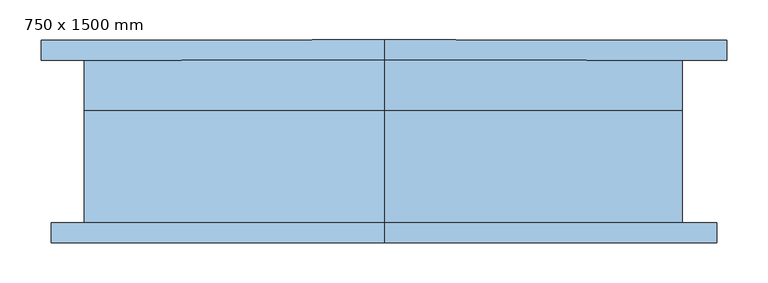
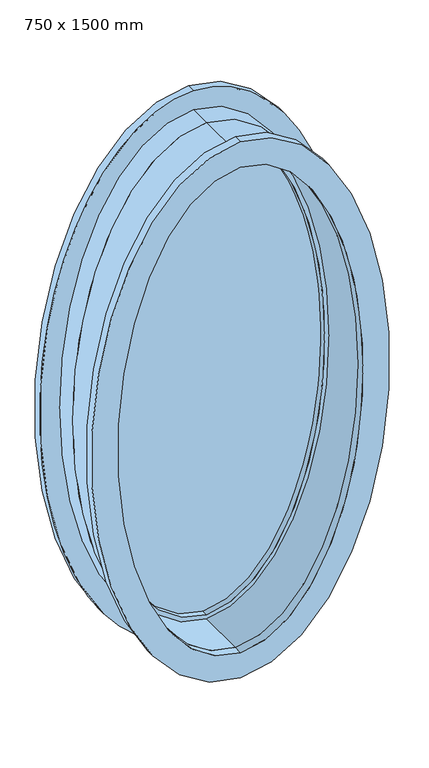
"""IFC4 building model written with IfcOpenShell, lengths in millimetres: window geometry, 750 x 1500 mm."""

from ifc_helpers import new_model, si_unit, point, frame, origin, place, context, project, spatial, ellipse_curve, trimmed, source, transform, mapped, element, save
from ifc_brep_helpers import plane_surface, extruded_surface, advanced_brep


def window_750_x_1500_mm_90dfdbfc(model_context):
    return source(origin(), model_context, "Body", "AdvancedBrep", [
        advanced_brep(
        [(0.0, -101.6, 2415.0), (0.0, -101.6, 915.0), (0.0, -101.6, 2383.25), (0.0, -101.6, 946.75), (0.0, 38.1, 2415.0), (0.0, 38.1, 915.0), (0.0, 38.1, 2383.25), (0.0, 38.1, 946.75)],
        [
            (0, 1, ellipse_curve(frame((0.0, -101.6, 1665.0), z_axis=(0.0, -1.0, 0.0), x_axis=(0.0, 0.0, -1.0)), 750.0, 375.0)),
            (1, 0, ellipse_curve(frame((0.0, -101.6, 1665.0), z_axis=(0.0, -1.0, 0.0), x_axis=(0.0, 0.0, -1.0)), 750.0, 375.0)),
            (2, 3, ellipse_curve(frame((0.0, -101.6, 1665.0), z_axis=(0.0, 1.0, 0.0), x_axis=(0.0, 0.0, -1.0)), 718.25, 343.25)),
            (3, 2, ellipse_curve(frame((0.0, -101.6, 1665.0), z_axis=(0.0, 1.0, 0.0), x_axis=(0.0, 0.0, -1.0)), 718.25, 343.25)),
            (0, 4),
            (4, 5, ellipse_curve(frame((0.0, 38.1, 1665.0), z_axis=(0.0, -1.0, 0.0), x_axis=(0.0, 0.0, -1.0)), 750.0, 375.0)),
            (5, 1),
            (5, 4, ellipse_curve(frame((0.0, 38.1, 1665.0), z_axis=(0.0, -1.0, 0.0), x_axis=(0.0, 0.0, -1.0)), 750.0, 375.0)),
            (2, 6),
            (6, 7, ellipse_curve(frame((0.0, 38.1, 1665.0), z_axis=(0.0, 1.0, 0.0), x_axis=(0.0, 0.0, -1.0)), 718.25, 343.25)),
            (7, 3),
            (7, 6, ellipse_curve(frame((0.0, 38.1, 1665.0), z_axis=(0.0, 1.0, 0.0), x_axis=(0.0, 0.0, -1.0)), 718.25, 343.25)),
        ],
        [
            plane_surface(frame((0.0, -101.6, 915.0), z_axis=(0.0, -1.0, 0.0), x_axis=(1.0, 0.0, 0.0))),
            extruded_surface(trimmed(ellipse_curve(frame((0.0, 177.8, 1665.0), z_axis=(0.0, -1.0, 0.0), x_axis=(0.0, 0.0, -1.0)), 750.0, 375.0), [point((0.0, 177.8, 2415.0))], [point((0.0, 177.8, 915.0))], True, "CARTESIAN"), (0.0, -139.70000000000002, 0.0), 139.70000000000002),
            extruded_surface(trimmed(ellipse_curve(frame((0.0, 177.8, 1665.0), z_axis=(0.0, -1.0, 0.0), x_axis=(0.0, 0.0, -1.0)), 750.0, 375.0), [point((0.0, 177.8, 915.0))], [point((0.0, 177.8, 2415.0))], True, "CARTESIAN"), (0.0, -139.70000000000002, 0.0), 139.70000000000002),
            extruded_surface(trimmed(ellipse_curve(frame((0.0, 38.1, 1665.0), z_axis=(0.0, 1.0, 0.0), x_axis=(0.0, 0.0, -1.0)), 718.25, 343.25), [point((0.0, 38.1, 2383.25))], [point((0.0, 38.1, 946.75))], True, "CARTESIAN"), (0.0, -139.7, 0.0), 139.7),
            extruded_surface(trimmed(ellipse_curve(frame((0.0, 38.1, 1665.0), z_axis=(0.0, 1.0, 0.0), x_axis=(0.0, 0.0, -1.0)), 718.25, 343.25), [point((0.0, 38.1, 946.75))], [point((0.0, 38.1, 2383.25))], True, "CARTESIAN"), (0.0, -139.7, 0.0), 139.7),
            plane_surface(frame((0.0, 38.1, 915.0), z_axis=(0.0, 1.0, 0.0), x_axis=(-1.0, 0.0, 0.0))),
        ],
        [
            (0, [[1, 2], [3, 4]]),
            (1, [[-1, 5, 6, 7]]),
            (2, [[-2, -7, 8, -5]]),
            (3, [[-3, 9, 10, 11]]),
            (4, [[-4, -11, 12, -9]]),
            (5, [[-8, -6], [-12, -10]]),
        ],
    ),
        advanced_brep(
        [(0.0, 55.3459129, 2370.55), (0.0, 55.3459129, 959.45), (0.0, 64.8706843, 2370.55), (0.0, 64.8706843, 959.45)],
        [
            (0, 1, ellipse_curve(frame((0.0, 55.3459129, 1665.0), z_axis=(0.0, -1.0, 0.0), x_axis=(0.0, 0.0, -1.0)), 705.55, 330.55)),
            (1, 0, ellipse_curve(frame((0.0, 55.3459129, 1665.0), z_axis=(0.0, -1.0, 0.0), x_axis=(0.0, 0.0, -1.0)), 705.55, 330.55)),
            (0, 2),
            (2, 3, ellipse_curve(frame((0.0, 64.8706843, 1665.0), z_axis=(0.0, -1.0, 0.0), x_axis=(0.0, 0.0, -1.0)), 705.55, 330.55)),
            (3, 1),
            (3, 2, ellipse_curve(frame((0.0, 64.8706843, 1665.0), z_axis=(0.0, -1.0, 0.0), x_axis=(0.0, 0.0, -1.0)), 705.55, 330.55)),
        ],
        [
            plane_surface(frame((0.0, 55.3459129, 959.45), z_axis=(0.0, -1.0, 0.0), x_axis=(1.0, 0.0, 0.0))),
            extruded_surface(trimmed(ellipse_curve(frame((0.0, 74.3954558, 1665.0), z_axis=(0.0, -1.0, 0.0), x_axis=(0.0, 0.0, -1.0)), 705.55, 330.55), [point((0.0, 74.3954558, 2370.55))], [point((0.0, 74.3954558, 959.45))], True, "CARTESIAN"), (0.0, -9.5247715, 0.0), 9.5247715),
            extruded_surface(trimmed(ellipse_curve(frame((0.0, 74.3954558, 1665.0), z_axis=(0.0, -1.0, 0.0), x_axis=(0.0, 0.0, -1.0)), 705.55, 330.55), [point((0.0, 74.3954558, 959.45))], [point((0.0, 74.3954558, 2370.55))], True, "CARTESIAN"), (0.0, -9.5247715, 0.0), 9.5247715),
            plane_surface(frame((0.0, 64.8706843, 959.45), z_axis=(0.0, 1.0, 0.0), x_axis=(-1.0, 0.0, 0.0))),
        ],
        [
            (0, [[1, 2]]),
            (1, [[-1, 3, 4, 5]]),
            (2, [[-2, -5, 6, -3]]),
            (3, [[-6, -4]]),
        ],
    ),
        advanced_brep(
        [(0.0, 38.1, 2395.95), (0.0, 38.1, 934.05), (0.0, 38.1, 2370.55), (0.0, 38.1, 959.45), (0.0, 82.55, 2395.95), (0.0, 82.55, 934.05), (0.0, 82.55, 2370.55), (0.0, 82.55, 959.45)],
        [
            (0, 1, ellipse_curve(frame((0.0, 38.1, 1665.0), z_axis=(0.0, -1.0, 0.0), x_axis=(0.0, 0.0, -1.0)), 730.95, 355.95)),
            (1, 0, ellipse_curve(frame((0.0, 38.1, 1665.0), z_axis=(0.0, -1.0, 0.0), x_axis=(0.0, 0.0, -1.0)), 730.95, 355.95)),
            (2, 3, ellipse_curve(frame((0.0, 38.1, 1665.0), z_axis=(0.0, 1.0, 0.0), x_axis=(0.0, 0.0, -1.0)), 705.55, 330.55)),
            (3, 2, ellipse_curve(frame((0.0, 38.1, 1665.0), z_axis=(0.0, 1.0, 0.0), x_axis=(0.0, 0.0, -1.0)), 705.55, 330.55)),
            (0, 4),
            (4, 5, ellipse_curve(frame((0.0, 82.55, 1665.0), z_axis=(0.0, -1.0, 0.0), x_axis=(0.0, 0.0, -1.0)), 730.95, 355.95)),
            (5, 1),
            (5, 4, ellipse_curve(frame((0.0, 82.55, 1665.0), z_axis=(0.0, -1.0, 0.0), x_axis=(0.0, 0.0, -1.0)), 730.95, 355.95)),
            (2, 6),
            (6, 7, ellipse_curve(frame((0.0, 82.55, 1665.0), z_axis=(0.0, 1.0, 0.0), x_axis=(0.0, 0.0, -1.0)), 705.55, 330.55)),
            (7, 3),
            (7, 6, ellipse_curve(frame((0.0, 82.55, 1665.0), z_axis=(0.0, 1.0, 0.0), x_axis=(0.0, 0.0, -1.0)), 705.55, 330.55)),
        ],
        [
            plane_surface(frame((0.0, 38.1, 934.05), z_axis=(0.0, -1.0, 0.0), x_axis=(1.0, 0.0, 0.0))),
            extruded_surface(trimmed(ellipse_curve(frame((0.0, 127.0, 1665.0), z_axis=(0.0, -1.0, 0.0), x_axis=(0.0, 0.0, -1.0)), 730.95, 355.95), [point((0.0, 127.0, 2395.95))], [point((0.0, 127.0, 934.05))], True, "CARTESIAN"), (0.0, -44.45, 0.0), 44.45),
            extruded_surface(trimmed(ellipse_curve(frame((0.0, 127.0, 1665.0), z_axis=(0.0, -1.0, 0.0), x_axis=(0.0, 0.0, -1.0)), 730.95, 355.95), [point((0.0, 127.0, 934.05))], [point((0.0, 127.0, 2395.95))], True, "CARTESIAN"), (0.0, -44.45, 0.0), 44.45),
            extruded_surface(trimmed(ellipse_curve(frame((0.0, 146.05, 1665.0), z_axis=(0.0, 1.0, 0.0), x_axis=(0.0, 0.0, -1.0)), 705.55, 330.55), [point((0.0, 146.05, 2370.55))], [point((0.0, 146.05, 959.45))], True, "CARTESIAN"), (0.0, -44.45000000000002, 0.0), 44.45000000000002),
            extruded_surface(trimmed(ellipse_curve(frame((0.0, 146.05, 1665.0), z_axis=(0.0, 1.0, 0.0), x_axis=(0.0, 0.0, -1.0)), 705.55, 330.55), [point((0.0, 146.05, 959.45))], [point((0.0, 146.05, 2370.55))], True, "CARTESIAN"), (0.0, -44.45000000000002, 0.0), 44.45000000000002),
            plane_surface(frame((0.0, 82.55, 934.05), z_axis=(0.0, 1.0, 0.0), x_axis=(-1.0, 0.0, 0.0))),
        ],
        [
            (0, [[1, 2], [3, 4]]),
            (1, [[-1, 5, 6, 7]]),
            (2, [[-2, -7, 8, -5]]),
            (3, [[-3, 9, 10, 11]]),
            (4, [[-4, -11, 12, -9]]),
            (5, [[-8, -6], [-12, -10]]),
        ],
    ),
        advanced_brep(
        [(0.0, 38.1, 2415.0), (0.0, 38.1, 915.0), (0.0, 38.1, 2395.95), (0.0, 38.1, 934.05), (0.0, 101.6, 2415.0), (0.0, 101.6, 915.0), (0.0, 101.6, 2395.95), (0.0, 101.6, 934.05)],
        [
            (0, 1, ellipse_curve(frame((0.0, 38.1, 1665.0), z_axis=(0.0, -1.0, 0.0), x_axis=(0.0, 0.0, -1.0)), 750.0, 375.0)),
            (1, 0, ellipse_curve(frame((0.0, 38.1, 1665.0), z_axis=(0.0, -1.0, 0.0), x_axis=(0.0, 0.0, -1.0)), 750.0, 375.0)),
            (2, 3, ellipse_curve(frame((0.0, 38.1, 1665.0), z_axis=(0.0, 1.0, 0.0), x_axis=(0.0, 0.0, -1.0)), 730.95, 355.95)),
            (3, 2, ellipse_curve(frame((0.0, 38.1, 1665.0), z_axis=(0.0, 1.0, 0.0), x_axis=(0.0, 0.0, -1.0)), 730.95, 355.95)),
            (0, 4),
            (4, 5, ellipse_curve(frame((0.0, 101.6, 1665.0), z_axis=(0.0, -1.0, 0.0), x_axis=(0.0, 0.0, -1.0)), 750.0, 375.0)),
            (5, 1),
            (5, 4, ellipse_curve(frame((0.0, 101.6, 1665.0), z_axis=(0.0, -1.0, 0.0), x_axis=(0.0, 0.0, -1.0)), 750.0, 375.0)),
            (2, 6),
            (6, 7, ellipse_curve(frame((0.0, 101.6, 1665.0), z_axis=(0.0, 1.0, 0.0), x_axis=(0.0, 0.0, -1.0)), 730.95, 355.95)),
            (7, 3),
            (7, 6, ellipse_curve(frame((0.0, 101.6, 1665.0), z_axis=(0.0, 1.0, 0.0), x_axis=(0.0, 0.0, -1.0)), 730.95, 355.95)),
        ],
        [
            plane_surface(frame((0.0, 38.1, 915.0), z_axis=(0.0, -1.0, 0.0), x_axis=(1.0, 0.0, 0.0))),
            extruded_surface(trimmed(ellipse_curve(frame((0.0, 165.1, 1665.0), z_axis=(0.0, -1.0, 0.0), x_axis=(0.0, 0.0, -1.0)), 750.0, 375.0), [point((0.0, 165.1, 2415.0))], [point((0.0, 165.1, 915.0))], True, "CARTESIAN"), (0.0, -63.5, 0.0), 63.5),
            extruded_surface(trimmed(ellipse_curve(frame((0.0, 165.1, 1665.0), z_axis=(0.0, -1.0, 0.0), x_axis=(0.0, 0.0, -1.0)), 750.0, 375.0), [point((0.0, 165.1, 915.0))], [point((0.0, 165.1, 2415.0))], True, "CARTESIAN"), (0.0, -63.5, 0.0), 63.5),
            extruded_surface(trimmed(ellipse_curve(frame((0.0, 165.1, 1665.0), z_axis=(0.0, 1.0, 0.0), x_axis=(0.0, 0.0, -1.0)), 730.95, 355.95), [point((0.0, 165.1, 2395.95))], [point((0.0, 165.1, 934.05))], True, "CARTESIAN"), (0.0, -63.5, 0.0), 63.5),
            extruded_surface(trimmed(ellipse_curve(frame((0.0, 165.1, 1665.0), z_axis=(0.0, 1.0, 0.0), x_axis=(0.0, 0.0, -1.0)), 730.95, 355.95), [point((0.0, 165.1, 934.05))], [point((0.0, 165.1, 2395.95))], True, "CARTESIAN"), (0.0, -63.5, 0.0), 63.5),
            plane_surface(frame((0.0, 101.6, 915.0), z_axis=(0.0, 1.0, 0.0), x_axis=(-1.0, 0.0, 0.0))),
        ],
        [
            (0, [[1, 2], [3, 4]]),
            (1, [[-1, 5, 6, 7]]),
            (2, [[-2, -7, 8, -5]]),
            (3, [[-3, 9, 10, 11]]),
            (4, [[-4, -11, 12, -9]]),
            (5, [[-8, -6], [-12, -10]]),
        ],
    ),
        advanced_brep(
        [(0.0, -126.6, 2458.25), (0.0, -126.6, 871.75), (0.0, -126.6, 2383.25), (0.0, -126.6, 946.75), (0.0, -101.6, 2458.25), (0.0, -101.6, 871.75), (0.0, -101.6, 2383.25), (0.0, -101.6, 946.75)],
        [
            (0, 1, ellipse_curve(frame((0.0, -126.6, 1665.0), z_axis=(0.0, -1.0, 0.0), x_axis=(0.0, 0.0, -1.0)), 793.25, 418.25)),
            (1, 0, ellipse_curve(frame((0.0, -126.6, 1665.0), z_axis=(0.0, -1.0, 0.0), x_axis=(0.0, 0.0, -1.0)), 793.25, 418.25)),
            (2, 3, ellipse_curve(frame((0.0, -126.6, 1665.0), z_axis=(0.0, 1.0, 0.0), x_axis=(0.0, 0.0, -1.0)), 718.25, 343.25)),
            (3, 2, ellipse_curve(frame((0.0, -126.6, 1665.0), z_axis=(0.0, 1.0, 0.0), x_axis=(0.0, 0.0, -1.0)), 718.25, 343.25)),
            (4, 5, ellipse_curve(frame((0.0, -101.6, 1665.0), z_axis=(0.0, 1.0, 0.0), x_axis=(0.0, 0.0, -1.0)), 793.25, 418.25)),
            (5, 4, ellipse_curve(frame((0.0, -101.6, 1665.0), z_axis=(0.0, 1.0, 0.0), x_axis=(0.0, 0.0, -1.0)), 793.25, 418.25)),
            (6, 7, ellipse_curve(frame((0.0, -101.6, 1665.0), z_axis=(0.0, -1.0, 0.0), x_axis=(0.0, 0.0, -1.0)), 718.25, 343.25)),
            (7, 6, ellipse_curve(frame((0.0, -101.6, 1665.0), z_axis=(0.0, -1.0, 0.0), x_axis=(0.0, 0.0, -1.0)), 718.25, 343.25)),
            (2, 6),
            (7, 3),
            (0, 4),
            (5, 1),
        ],
        [
            plane_surface(frame((0.0, -126.6, 946.75), z_axis=(0.0, -1.0, 0.0), x_axis=(-1.0, 0.0, 0.0))),
            plane_surface(frame((0.0, -101.6, 946.75), z_axis=(0.0, 1.0, 0.0), x_axis=(1.0, 0.0, 0.0))),
            extruded_surface(trimmed(ellipse_curve(frame((0.0, -76.6, 1665.0), z_axis=(0.0, 1.0, 0.0), x_axis=(0.0, 0.0, -1.0)), 718.25, 343.25), [point((0.0, -76.6, 2383.25))], [point((0.0, -76.6, 946.75))], True, "CARTESIAN"), (0.0, -25.0, 0.0), 25.0),
            extruded_surface(trimmed(ellipse_curve(frame((0.0, -76.6, 1665.0), z_axis=(0.0, 1.0, 0.0), x_axis=(0.0, 0.0, -1.0)), 718.25, 343.25), [point((0.0, -76.6, 946.75))], [point((0.0, -76.6, 2383.25))], True, "CARTESIAN"), (0.0, -25.0, 0.0), 25.0),
            extruded_surface(trimmed(ellipse_curve(frame((0.0, -76.6, 1665.0), z_axis=(0.0, -1.0, 0.0), x_axis=(0.0, 0.0, -1.0)), 793.25, 418.25), [point((0.0, -76.6, 2458.25))], [point((0.0, -76.6, 871.75))], True, "CARTESIAN"), (0.0, -25.0, 0.0), 25.0),
            extruded_surface(trimmed(ellipse_curve(frame((0.0, -76.6, 1665.0), z_axis=(0.0, -1.0, 0.0), x_axis=(0.0, 0.0, -1.0)), 793.25, 418.25), [point((0.0, -76.6, 871.75))], [point((0.0, -76.6, 2458.25))], True, "CARTESIAN"), (0.0, -25.0, 0.0), 25.0),
        ],
        [
            (0, [[1, 2], [3, 4]]),
            (1, [[5, 6], [7, 8]]),
            (2, [[-3, 9, -8, 10]]),
            (3, [[-4, -10, -7, -9]]),
            (4, [[-1, 11, -6, 12]]),
            (5, [[-2, -12, -5, -11]]),
        ],
    ),
        advanced_brep(
        [(0.0, 101.6, 2470.95), (0.0, 101.6, 859.05), (0.0, 101.6, 2395.95), (0.0, 101.6, 934.05), (0.0, 126.6, 2470.95), (0.0, 126.6, 859.05), (0.0, 126.6, 2395.95), (0.0, 126.6, 934.05)],
        [
            (0, 1, ellipse_curve(frame((0.0, 101.6, 1665.0), z_axis=(0.0, -1.0, 0.0), x_axis=(0.0, 0.0, -1.0)), 805.95, 430.95)),
            (1, 0, ellipse_curve(frame((0.0, 101.6, 1665.0), z_axis=(0.0, -1.0, 0.0), x_axis=(0.0, 0.0, -1.0)), 805.95, 430.95)),
            (2, 3, ellipse_curve(frame((0.0, 101.6, 1665.0), z_axis=(0.0, 1.0, 0.0), x_axis=(0.0, 0.0, -1.0)), 730.95, 355.95)),
            (3, 2, ellipse_curve(frame((0.0, 101.6, 1665.0), z_axis=(0.0, 1.0, 0.0), x_axis=(0.0, 0.0, -1.0)), 730.95, 355.95)),
            (4, 5, ellipse_curve(frame((0.0, 126.6, 1665.0), z_axis=(0.0, 1.0, 0.0), x_axis=(0.0, 0.0, -1.0)), 805.95, 430.95)),
            (5, 4, ellipse_curve(frame((0.0, 126.6, 1665.0), z_axis=(0.0, 1.0, 0.0), x_axis=(0.0, 0.0, -1.0)), 805.95, 430.95)),
            (6, 7, ellipse_curve(frame((0.0, 126.6, 1665.0), z_axis=(0.0, -1.0, 0.0), x_axis=(0.0, 0.0, -1.0)), 730.95, 355.95)),
            (7, 6, ellipse_curve(frame((0.0, 126.6, 1665.0), z_axis=(0.0, -1.0, 0.0), x_axis=(0.0, 0.0, -1.0)), 730.95, 355.95)),
            (2, 6),
            (7, 3),
            (0, 4),
            (5, 1),
        ],
        [
            plane_surface(frame((0.0, 101.6, 934.05), z_axis=(0.0, -1.0, 0.0), x_axis=(-1.0, 0.0, 0.0))),
            plane_surface(frame((0.0, 126.6, 934.05), z_axis=(0.0, 1.0, 0.0), x_axis=(1.0, 0.0, 0.0))),
            extruded_surface(trimmed(ellipse_curve(frame((0.0, 151.6, 1665.0), z_axis=(0.0, 1.0, 0.0), x_axis=(0.0, 0.0, -1.0)), 730.95, 355.95), [point((0.0, 151.6, 2395.95))], [point((0.0, 151.6, 934.05))], True, "CARTESIAN"), (0.0, -25.0, 0.0), 25.0),
            extruded_surface(trimmed(ellipse_curve(frame((0.0, 151.6, 1665.0), z_axis=(0.0, 1.0, 0.0), x_axis=(0.0, 0.0, -1.0)), 730.95, 355.95), [point((0.0, 151.6, 934.05))], [point((0.0, 151.6, 2395.95))], True, "CARTESIAN"), (0.0, -25.0, 0.0), 25.0),
            extruded_surface(trimmed(ellipse_curve(frame((0.0, 126.6, 1665.0), z_axis=(0.0, -1.0, 0.0), x_axis=(0.0, 0.0, -1.0)), 805.95, 430.95), [point((0.0, 126.6, 2470.95))], [point((0.0, 126.6, 859.05))], True, "CARTESIAN"), (0.0, -25.0, 0.0), 25.0),
            extruded_surface(trimmed(ellipse_curve(frame((0.0, 126.6, 1665.0), z_axis=(0.0, -1.0, 0.0), x_axis=(0.0, 0.0, -1.0)), 805.95, 430.95), [point((0.0, 126.6, 859.05))], [point((0.0, 126.6, 2470.95))], True, "CARTESIAN"), (0.0, -25.0, 0.0), 25.0),
        ],
        [
            (0, [[1, 2], [3, 4]]),
            (1, [[5, 6], [7, 8]]),
            (2, [[-3, 9, -8, 10]]),
            (3, [[-4, -10, -7, -9]]),
            (4, [[-1, 11, -6, 12]]),
            (5, [[-2, -12, -5, -11]]),
        ],
    ),
    ])


if __name__ == "__main__":
    model = new_model("IFC4")
    model_context = context("Model", 3, world=origin())
    ifc_project = project(units=[si_unit("LENGTHUNIT", "METRE", prefix="MILLI")], contexts=[model_context])
    site = spatial("IfcSite", under=ifc_project)
    building = spatial("IfcBuilding", under=site)
    placement = place(None, origin())
    window_750_x_1500_mm_shape = window_750_x_1500_mm_90dfdbfc(model_context)
    element("IfcWindow", 1, ObjectType="750 x 1500 mm", at=placement, inside=building, context=model_context, shape_type="MappedRepresentation", body=[
        mapped(window_750_x_1500_mm_shape, transform((0.0, 0.0, 0.0), x_axis=(1.0, 0.0, 0.0), y_axis=(0.0, 1.0, 0.0), z_axis=(0.0, 0.0, 1.0))),
    ])
    save(model, "model.ifc")
